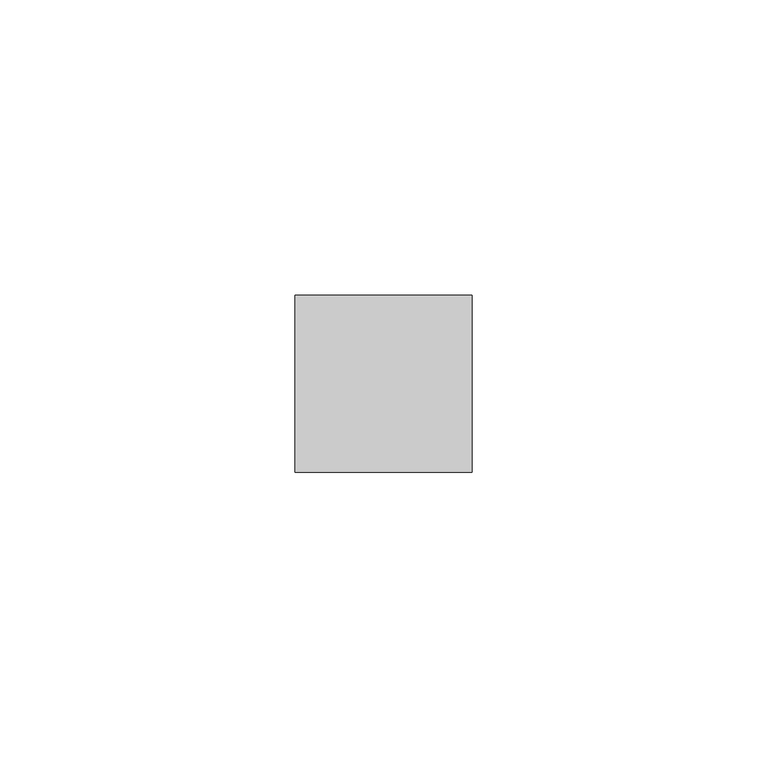
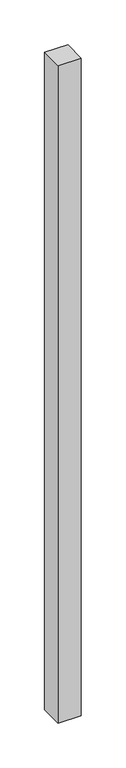
"""IFC4 building model written with IfcOpenShell, lengths in millimetres: member geometry."""

from ifc_helpers import new_model, si_unit, frame, origin, place, context, project, spatial, polyline, outline, extrude, source, transform, mapped, element, save


def member_d1a0d4d5(model_context):
    return source(origin(), model_context, "Body", "SweptSolid", [
        extrude(outline(polyline([(15.0, 15.0), (15.0, -15.0), (-15.0, -15.0), (-15.0, 15.0), (15.0, 15.0)])), frame((0.0, 0.0, -896.125), z_axis=(0.0, 0.0, 1.0), x_axis=(1.0, 0.0, 0.0)), (0.0, 0.0, 1.0), 896.125),
    ])


if __name__ == "__main__":
    model = new_model("IFC4")
    model_context = context("Model", 3, world=origin())
    ifc_project = project(units=[si_unit("LENGTHUNIT", "METRE", prefix="MILLI")], contexts=[model_context])
    site = spatial("IfcSite", under=ifc_project)
    building = spatial("IfcBuilding", under=site)
    placement = place(None, origin())
    member_shape = member_d1a0d4d5(model_context)
    element("IfcMember", 1, at=placement, inside=building, context=model_context, shape_type="MappedRepresentation", body=[
        mapped(member_shape, transform((0.0, 0.0, 0.0), x_axis=(1.0, 0.0, 0.0), y_axis=(0.0, 1.0, 0.0), z_axis=(0.0, 0.0, 1.0))),
    ])
    save(model, "model.ifc")
